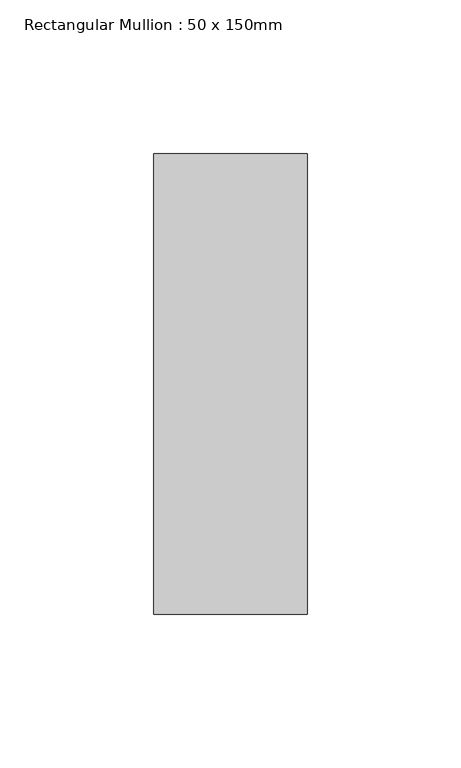
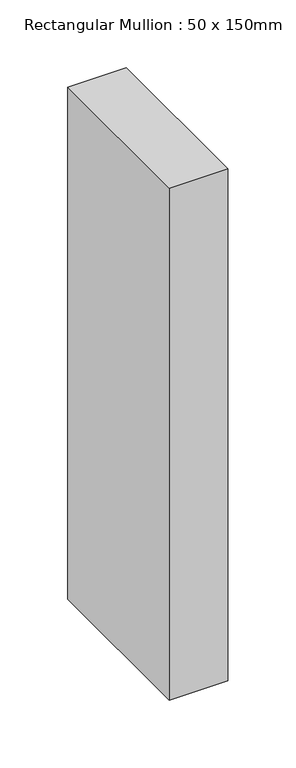
"""IFC4 building model written with IfcOpenShell, lengths in millimetres: member geometry, Rectangular Mullion : 50 x 150mm."""

from ifc_helpers import new_model, si_unit, frame, origin, place, context, project, spatial, polyline, outline, extrude, source, transform, mapped, element, save


def rectangular_mullion_50_x_150mm_f15b9c5b(model_context):
    return source(origin(), model_context, "Body", "SweptSolid", [
        extrude(outline(polyline([(25.0, 75.0), (25.0, -75.0), (-25.0, -75.0), (-25.0, 75.0), (25.0, 75.0)])), frame((0.0, 0.0, -461.690697), z_axis=(0.0, 0.0, 1.0), x_axis=(1.0, 0.0, 0.0)), (0.0, 0.0, 1.0), 461.690697),
    ])


if __name__ == "__main__":
    model = new_model("IFC4")
    model_context = context("Model", 3, world=origin())
    ifc_project = project(units=[si_unit("LENGTHUNIT", "METRE", prefix="MILLI")], contexts=[model_context])
    site = spatial("IfcSite", under=ifc_project)
    building = spatial("IfcBuilding", under=site)
    placement = place(None, origin())
    rectangular_mullion_50_x_150mm_shape = rectangular_mullion_50_x_150mm_f15b9c5b(model_context)
    element("IfcMember", 1, ObjectType="Rectangular Mullion : 50 x 150mm", at=placement, inside=building, context=model_context, shape_type="MappedRepresentation", body=[
        mapped(rectangular_mullion_50_x_150mm_shape, transform((0.0, 0.0, 0.0), x_axis=(1.0, 0.0, 0.0), y_axis=(0.0, 1.0, 0.0), z_axis=(0.0, 0.0, 1.0))),
    ])
    save(model, "model.ifc")
